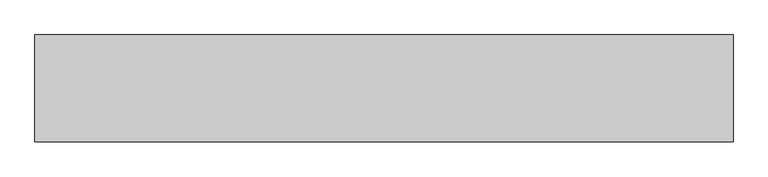
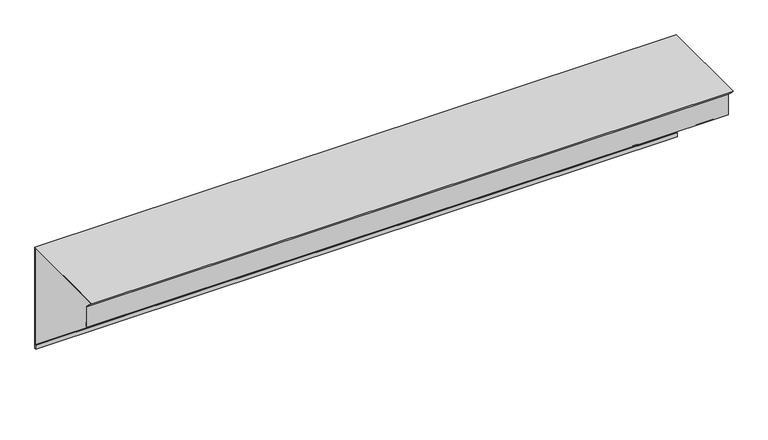
"""IFC4 building model written with IfcOpenShell, lengths in millimetres: proxy geometry."""

import ifcopenshell
import ifcopenshell.guid

model = None  # the IFC model being written
_history = None  # IfcOwnerHistory: only IFC2X3 demands one
_inside = {}  # id of a spatial element -> (the spatial element, [elements in it])
_under = {}  # id of a project, library or spatial element -> (it, [spatial elements below it])
_declared = {}  # id of a project -> (the project, [libraries it declares])
_typed = {}  # id of a type object -> (the type object, [elements of that type])
_made_of = {}  # id of a material, layer set ... -> (it, [elements and type objects made of it])


def new_model(schema):
    """Start an empty IFC model of exactly this schema.

    Asked for "IFC4X3", IfcOpenShell would pick the latest addendum, in which some entities
    have other attributes; the version numbers below select the first issue.
    IFC2X3 requires an IfcOwnerHistory on every rooted entity: one is made here for all.
    """
    global model, _history
    if schema == "IFC4X3":
        model = ifcopenshell.file(schema_version=(4, 3, 0, 0))
    else:
        model = ifcopenshell.file(schema=schema)
    _inside.clear()
    _under.clear()
    _declared.clear()
    _typed.clear()
    _made_of.clear()
    _history = None
    if model.schema == "IFC2X3":
        org = make("IfcOrganization", Name="unknown")
        user = make(
            "IfcPersonAndOrganization",
            ThePerson=make("IfcPerson", FamilyName="unknown"),
            TheOrganization=org,
        )
        app = make(
            "IfcApplication",
            ApplicationDeveloper=org,
            Version="unknown",
            ApplicationFullName="unknown",
            ApplicationIdentifier="unknown",
        )
        _history = make(
            "IfcOwnerHistory",
            OwningUser=user,
            OwningApplication=app,
            ChangeAction="ADDED",
            CreationDate=0,
        )
    return model


def make(cls, **values):
    """One entity of the class cls with the attributes given. An attribute that is None is left unset."""
    return model.create_entity(
        cls, **{name: value for name, value in values.items() if value is not None}
    )


def rooted(cls, **values):
    """An entity with a GlobalId (a new one), such as an element, a storey or a relation."""
    return make(cls, GlobalId=ifcopenshell.guid.new(), OwnerHistory=_history, **values)


def si_unit(unit_type, name, prefix=None):
    """IfcSIUnit, for example si_unit("LENGTHUNIT", "METRE", prefix="MILLI")."""
    return make("IfcSIUnit", UnitType=unit_type, Prefix=prefix, Name=name)


def assignment(units):
    """IfcUnitAssignment: the units of a project."""
    return None if units is None else make("IfcUnitAssignment", Units=units)


def point(xyz):
    """IfcCartesianPoint."""
    return None if xyz is None else make("IfcCartesianPoint", Coordinates=xyz)


def direction(xyz):
    """IfcDirection."""
    return None if xyz is None else make("IfcDirection", DirectionRatios=xyz)


def frame(location, z_axis=None, x_axis=None):
    """IfcAxis2Placement3D, a coordinate frame: its origin and axes. An axis left out is left unset."""
    return make(
        "IfcAxis2Placement3D",
        Location=point(location),
        Axis=direction(z_axis),
        RefDirection=direction(x_axis),
    )


def origin():
    """The frame at (0, 0, 0) with its axes left unset."""
    return frame((0.0, 0.0, 0.0))


def place(relative_to, where):
    """IfcLocalPlacement: puts the frame where relative to a parent placement (None: the world)."""
    return make(
        "IfcLocalPlacement", PlacementRelTo=relative_to, RelativePlacement=where
    )


def context(
    kind, dimensions, precision=None, world=None, true_north=None, identifier=None
):
    """IfcGeometricRepresentationContext, for example the 3D "Model" context."""
    return make(
        "IfcGeometricRepresentationContext",
        ContextIdentifier=identifier,
        ContextType=kind,
        CoordinateSpaceDimension=dimensions,
        Precision=precision,
        WorldCoordinateSystem=world,
        TrueNorth=true_north,
    )


def project(units=None, contexts=None):
    """IfcProject with its units and contexts."""
    return rooted(
        "IfcProject",
        Name="project",
        RepresentationContexts=contexts,
        UnitsInContext=assignment(units),
    )


def spatial(cls, under=None, at=None, **own):
    """A site, building, storey or space (cls), placed at a placement, below another one or the project."""
    s = rooted(cls, ObjectPlacement=at, **own)
    if under is not None:
        _under.setdefault(under.id(), (under, []))[1].append(s)
    return s


def faces_of(points, faces, orient=None, outer=None):
    """IfcFace entities. A face is a list of loops; a loop is a list of indices into points, from 0.

    orient and outer hold one flag for each loop. By default every Orientation is true, the
    first loop of a face is its IfcFaceOuterBound and the others are IfcFaceBound.
    """
    made = []
    for i, loops in enumerate(faces):
        bounds = []
        for j, loop in enumerate(loops):
            is_outer = j == 0 if outer is None else outer[i][j]
            bounds.append(
                make(
                    "IfcFaceOuterBound" if is_outer else "IfcFaceBound",
                    Bound=make("IfcPolyLoop", Polygon=[points[k] for k in loop]),
                    Orientation=True if orient is None else orient[i][j],
                )
            )
        made.append(make("IfcFace", Bounds=bounds))
    return made


def faceted_brep(points, faces, orient=None, outer=None, voids=None):
    """IfcFacetedBrep: a solid bounded by flat faces; with voids (closed shells), ...WithVoids."""
    shared = [point(p) for p in points]
    hull = make("IfcClosedShell", CfsFaces=faces_of(shared, faces, orient, outer))
    if voids is None:
        return make("IfcFacetedBrep", Outer=hull)
    return make(
        "IfcFacetedBrepWithVoids",
        Outer=hull,
        Voids=[
            make(cls, CfsFaces=faces_of(shared, fs, o, b)) for cls, fs, o, b in voids
        ],
    )


def shape(context_of_items, identifier, shape_type, items):
    """IfcShapeRepresentation: the items that make up one representation, for example the "Body"."""
    return make(
        "IfcShapeRepresentation",
        ContextOfItems=context_of_items,
        RepresentationIdentifier=identifier,
        RepresentationType=shape_type,
        Items=items,
    )


def source(mapping_origin, context_of_items, identifier, shape_type, items):
    """IfcRepresentationMap: a shape defined once, which mapped items show again and again."""
    return make(
        "IfcRepresentationMap",
        MappingOrigin=mapping_origin,
        MappedRepresentation=shape(context_of_items, identifier, shape_type, items),
    )


def transform(
    local_origin,
    x_axis=None,
    y_axis=None,
    z_axis=None,
    scale=None,
    scale2=None,
    scale3=None,
    uniform=True,
):
    """IfcCartesianTransformationOperator3D, or its non-uniform kind. x_axis, y_axis, z_axis: its Axis1, 2, 3."""
    if uniform:
        return make(
            "IfcCartesianTransformationOperator3D",
            Axis1=direction(x_axis),
            Axis2=direction(y_axis),
            LocalOrigin=point(local_origin),
            Scale=scale,
            Axis3=direction(z_axis),
        )
    return make(
        "IfcCartesianTransformationOperator3DnonUniform",
        Axis1=direction(x_axis),
        Axis2=direction(y_axis),
        LocalOrigin=point(local_origin),
        Scale=scale,
        Axis3=direction(z_axis),
        Scale2=scale2,
        Scale3=scale3,
    )


def mapped(mapping_source, mapping_target):
    """IfcMappedItem: shows the shape of a source again, moved by a transform."""
    return make(
        "IfcMappedItem", MappingSource=mapping_source, MappingTarget=mapping_target
    )


def made_of(thing, what):
    """Note that an element or type object is made of a material, layer set ...; save() writes the relation."""
    if what is not None:
        _made_of.setdefault(what.id(), (what, []))[1].append(thing)
    return thing


def element(
    cls,
    number,
    at=None,
    inside=None,
    cuts=None,
    type_object=None,
    material=None,
    context=None,
    identifier="Body",
    shape_type=None,
    held_by="IfcProductDefinitionShape",
    body=None,
    shapes=None,
    **own,
):
    """One element of the class cls, such as IfcWall. Its Tag is "e" and its number.

    at: its placement. inside: the storey or other place that contains it. cuts: it is an
    opening in that element (IfcRelVoidsElement). A single representation is given by context,
    identifier, shape_type and body (its items); several are given by shapes. held_by: the class
    of the entity that holds the representations. save() writes the other relations.
    """
    e = rooted(cls, Tag="e%d" % number, ObjectPlacement=at, **own)
    if body is not None:
        shapes = [shape(context, identifier, shape_type, body)]
    if shapes is not None:
        e.Representation = make(held_by, Representations=shapes)
    if inside is not None:
        _inside.setdefault(inside.id(), (inside, []))[1].append(e)
    if cuts is not None:
        rooted(
            "IfcRelVoidsElement", RelatingBuildingElement=cuts, RelatedOpeningElement=e
        )
    if type_object is not None:
        _typed.setdefault(type_object.id(), (type_object, []))[1].append(e)
    return made_of(e, material)


def aggregate(whole, parts):
    """IfcRelAggregates: a whole, such as a stair, and the parts it consists of."""
    return rooted("IfcRelAggregates", RelatingObject=whole, RelatedObjects=parts)


def save(model, path):
    """Write the relations noted so far, then the file.

    IfcRelAggregates (storeys below a building ...), IfcRelContainedInSpatialStructure (elements
    in a storey), IfcRelDefinesByType, IfcRelAssociatesMaterial and IfcRelDeclares: one each for
    every whole, place, type object, material and project.
    """
    for whole, parts in _under.values():
        aggregate(whole, parts)
    for where, things in _inside.values():
        rooted(
            "IfcRelContainedInSpatialStructure",
            RelatedElements=things,
            RelatingStructure=where,
        )
    for kind, things in _typed.values():
        rooted("IfcRelDefinesByType", RelatedObjects=things, RelatingType=kind)
    for what, things in _made_of.values():
        rooted("IfcRelAssociatesMaterial", RelatedObjects=things, RelatingMaterial=what)
    for by, libraries in _declared.values():
        rooted("IfcRelDeclares", RelatingContext=by, RelatedDefinitions=libraries)
    model.write(path)


def generic_models_161fcd19(model_context):
    return source(origin(), model_context, "Body", "Brep", [
        faceted_brep([(0.0, 202.0, -242.0), (0.0, 205.0, -242.0), (1500.0, 205.0, -242.0), (1500.0, 202.0, -242.0), (0.0, 202.0, -232.0), (1500.0, 202.0, -232.0), (0.0, 203.0, -232.0), (1500.0, 203.0, -232.0), (0.0, 203.0, -241.0), (1500.0, 203.0, -241.0), (0.0, 204.0, -241.0), (1500.0, 204.0, -241.0), (0.0, 204.0, 0.0), (1500.0, 204.0, 0.0), (1500.0, 204.0, 7.0), (0.0, 204.0, 7.0), (0.0, -22.3847763, 7.0), (1500.0, -22.3847763, 7.0), (0.0, -4.0, -11.3847763), (0.0, -15.3847763, 0.0), (1500.0, -15.3847763, 0.0), (1500.0, -4.0, -11.3847763), (0.0, -4.0, -60.7989899), (1500.0, -4.0, -60.7989899), (0.0, -3.0, -60.7989899), (1500.0, -3.0, -60.7989899), (0.0, -3.0, -51.7989899), (1500.0, -3.0, -51.7989899), (0.0, -2.0, -51.7989899), (1500.0, -2.0, -51.7989899), (0.0, -2.0, -61.7989899), (1500.0, -2.0, -61.7989899), (0.0, -5.0, -61.7989899), (1500.0, -5.0, -61.7989899), (0.0, -5.0, -11.7989899), (1500.0, -5.0, -11.7989899), (0.0, -16.7989899, 0.0), (1500.0, -16.7989899, 0.0), (1500.0, -24.7989899, 8.0), (0.0, -24.7989899, 8.0), (0.0, 205.0, 8.0), (1500.0, 205.0, 8.0), (0.0, 205.0, 0.0), (1500.0, 205.0, 0.0)], [[[0, 1, 2, 3]], [[4, 0, 3, 5]], [[6, 4, 5, 7]], [[8, 6, 7, 9]], [[10, 8, 9, 11]], [[12, 10, 11, 13, 14, 15]], [[16, 15, 14, 17]], [[18, 19, 16, 17, 20, 21]], [[22, 18, 21, 23]], [[24, 22, 23, 25]], [[26, 24, 25, 27]], [[28, 26, 27, 29]], [[30, 28, 29, 31]], [[32, 30, 31, 33]], [[34, 32, 33, 35]], [[36, 34, 35, 37, 38, 39]], [[40, 39, 38, 41]], [[1, 42, 40, 41, 43, 2]], [[36, 19, 18, 22, 24, 26, 28, 30, 32, 34]], [[12, 42, 1, 0, 4, 6, 8, 10]], [[19, 36, 39, 40, 42, 12, 15, 16]], [[20, 37, 35, 33, 31, 29, 27, 25, 23, 21]], [[43, 13, 11, 9, 7, 5, 3, 2]], [[37, 20, 17, 14, 13, 43, 41, 38]]]),
    ])


if __name__ == "__main__":
    model = new_model("IFC4")
    model_context = context("Model", 3, world=origin())
    ifc_project = project(units=[si_unit("LENGTHUNIT", "METRE", prefix="MILLI")], contexts=[model_context])
    site = spatial("IfcSite", under=ifc_project)
    building = spatial("IfcBuilding", under=site)
    placement = place(None, origin())
    generic_models_shape = generic_models_161fcd19(model_context)
    element("IfcBuildingElementProxy", 1, Name="Generic Models", at=placement, inside=building, context=model_context, shape_type="MappedRepresentation", body=[
        mapped(generic_models_shape, transform((0.0, 0.0, 0.0), x_axis=(1.0, 0.0, 0.0), y_axis=(0.0, 1.0, 0.0), z_axis=(0.0, 0.0, 1.0))),
    ])
    save(model, "model.ifc")
